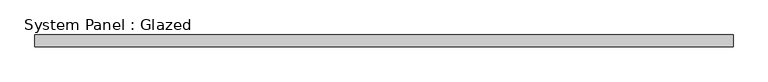
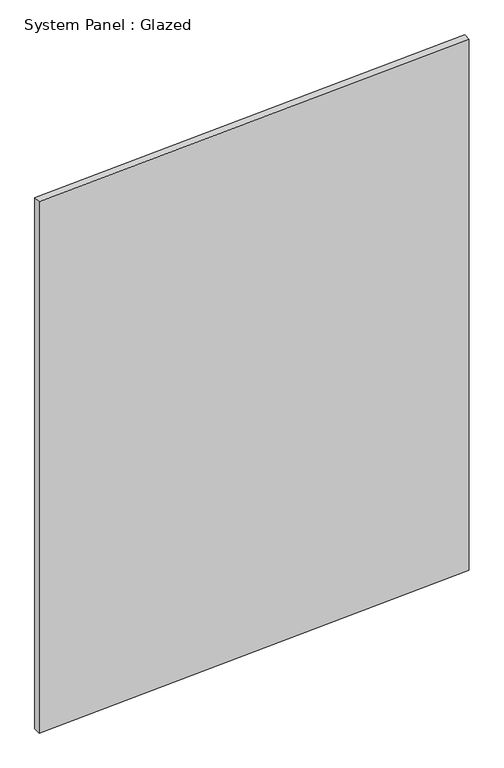
"""IFC4 building model written with IfcOpenShell, lengths in millimetres: plate geometry, System Panel : Glazed."""

from ifc_helpers import new_model, si_unit, frame, origin, place, context, project, spatial, polyline, outline, extrude, source, transform, mapped, element, save


def system_panel_glazed_dd07d038(model_context):
    return source(origin(), model_context, "Body", "SweptSolid", [
        extrude(outline(polyline([(0.0, -750.0), (75.0, 750.0), (2033.6666861, 750.0), (1958.6666861, -750.0), (0.0, -750.0)])), frame((0.0, -49.5, 0.0), z_axis=(0.0, 1.0, 0.0), x_axis=(0.0, 0.0, 1.0)), (0.0, 0.0, 1.0), 25.0),
    ])


if __name__ == "__main__":
    model = new_model("IFC4")
    model_context = context("Model", 3, world=origin())
    ifc_project = project(units=[si_unit("LENGTHUNIT", "METRE", prefix="MILLI")], contexts=[model_context])
    site = spatial("IfcSite", under=ifc_project)
    building = spatial("IfcBuilding", under=site)
    placement = place(None, origin())
    system_panel_glazed_shape = system_panel_glazed_dd07d038(model_context)
    element("IfcPlate", 1, ObjectType="System Panel : Glazed", at=placement, inside=building, context=model_context, shape_type="MappedRepresentation", body=[
        mapped(system_panel_glazed_shape, transform((0.0, 0.0, 0.0), x_axis=(1.0, 0.0, 0.0), y_axis=(0.0, 1.0, 0.0), z_axis=(0.0, 0.0, 1.0))),
    ])
    save(model, "model.ifc")
